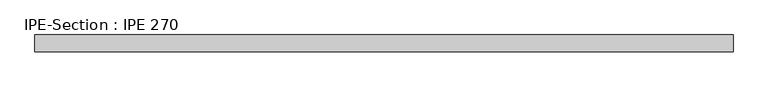
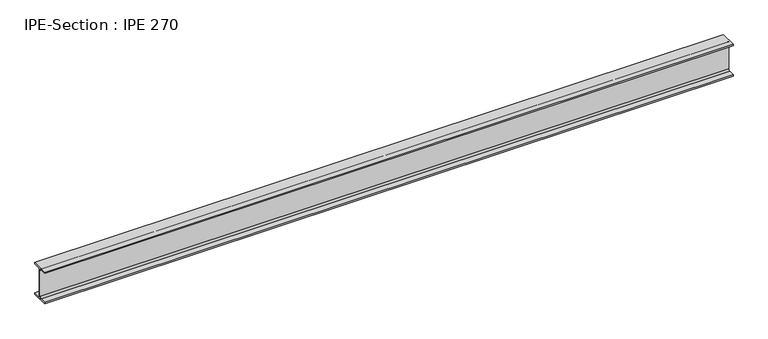
"""IFC4 building model written with IfcOpenShell, lengths in millimetres: beam geometry, IPE-Section : IPE 270."""

from ifc_helpers import new_model, si_unit, point, frame, frame_2d, origin, place, context, project, spatial, polyline, circle_curve, trimmed, segment, composite_curve, outline, extrude, source, transform, mapped, element, save


def ipe_section_ipe_270_2685338e(model_context):
    return source(origin(), model_context, "Body", "SweptSolid", [
        extrude(outline(composite_curve([segment(polyline([(67.5, -124.8), (67.5, -135.0), (-67.5, -135.0), (-67.5, -124.8), (-18.3, -124.8)]), True, "CONTINUOUS"), segment(trimmed(circle_curve(frame_2d((-18.3, -109.8)), 15.0), [point((-18.3, -124.8))], [point((-3.3, -109.8))], True, "CARTESIAN"), True, "CONTINUOUS"), segment(polyline([(-3.3, -109.8), (-3.3, 109.8)]), True, "CONTINUOUS"), segment(trimmed(circle_curve(frame_2d((-18.3, 109.8)), 15.0), [point((-3.3, 109.8))], [point((-18.3, 124.8))], True, "CARTESIAN"), True, "CONTINUOUS"), segment(polyline([(-18.3, 124.8), (-67.5, 124.8), (-67.5, 135.0), (67.5, 135.0), (67.5, 124.8), (18.3, 124.8)]), True, "CONTINUOUS"), segment(trimmed(circle_curve(frame_2d((18.3, 109.8)), 15.0), [point((18.3, 124.8))], [point((3.3, 109.8))], True, "CARTESIAN"), True, "CONTINUOUS"), segment(polyline([(3.3, 109.8), (3.3, -109.8)]), True, "CONTINUOUS"), segment(trimmed(circle_curve(frame_2d((18.3, -109.8)), 15.0), [point((3.3, -109.8))], [point((18.3, -124.8))], True, "CARTESIAN"), True, "CONTINUOUS"), segment(polyline([(18.3, -124.8), (67.5, -124.8)]), True, "CONTINUOUS")], self_intersect=False)), frame((-2787.6562017, 0.0, 0.0), z_axis=(1.0, 0.0, 0.0), x_axis=(0.0, 1.0, 0.0)), (0.0, 0.0, 1.0), 5566.3815757),
    ])


if __name__ == "__main__":
    model = new_model("IFC4")
    model_context = context("Model", 3, world=origin())
    ifc_project = project(units=[si_unit("LENGTHUNIT", "METRE", prefix="MILLI")], contexts=[model_context])
    site = spatial("IfcSite", under=ifc_project)
    building = spatial("IfcBuilding", under=site)
    placement = place(None, origin())
    ipe_section_ipe_270_shape = ipe_section_ipe_270_2685338e(model_context)
    element("IfcBeam", 1, ObjectType="IPE-Section : IPE 270", at=placement, inside=building, context=model_context, shape_type="MappedRepresentation", body=[
        mapped(ipe_section_ipe_270_shape, transform((0.0, 0.0, 0.0), x_axis=(1.0, 0.0, 0.0), y_axis=(0.0, 1.0, 0.0), z_axis=(0.0, 0.0, 1.0))),
    ])
    save(model, "model.ifc")
